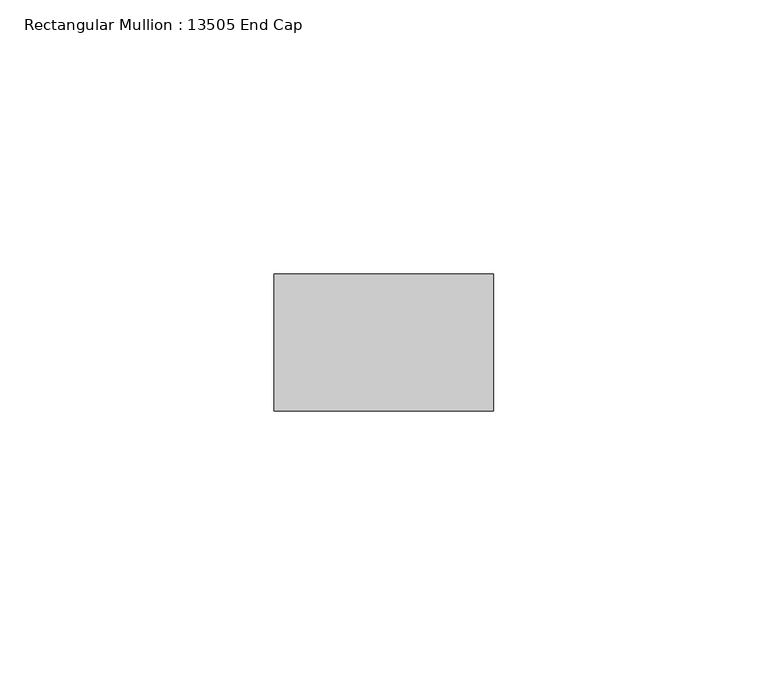
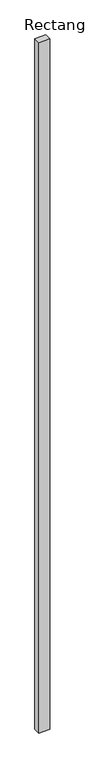
"""IFC4 building model written with IfcOpenShell, lengths in millimetres: member geometry, Rectangular Mullion : 13505 End Cap."""

import ifcopenshell
import ifcopenshell.guid

model = None  # the IFC model being written
_history = None  # IfcOwnerHistory: only IFC2X3 demands one
_inside = {}  # id of a spatial element -> (the spatial element, [elements in it])
_under = {}  # id of a project, library or spatial element -> (it, [spatial elements below it])
_declared = {}  # id of a project -> (the project, [libraries it declares])
_typed = {}  # id of a type object -> (the type object, [elements of that type])
_made_of = {}  # id of a material, layer set ... -> (it, [elements and type objects made of it])


def new_model(schema):
    """Start an empty IFC model of exactly this schema.

    Asked for "IFC4X3", IfcOpenShell would pick the latest addendum, in which some entities
    have other attributes; the version numbers below select the first issue.
    IFC2X3 requires an IfcOwnerHistory on every rooted entity: one is made here for all.
    """
    global model, _history
    if schema == "IFC4X3":
        model = ifcopenshell.file(schema_version=(4, 3, 0, 0))
    else:
        model = ifcopenshell.file(schema=schema)
    _inside.clear()
    _under.clear()
    _declared.clear()
    _typed.clear()
    _made_of.clear()
    _history = None
    if model.schema == "IFC2X3":
        org = make("IfcOrganization", Name="unknown")
        user = make(
            "IfcPersonAndOrganization",
            ThePerson=make("IfcPerson", FamilyName="unknown"),
            TheOrganization=org,
        )
        app = make(
            "IfcApplication",
            ApplicationDeveloper=org,
            Version="unknown",
            ApplicationFullName="unknown",
            ApplicationIdentifier="unknown",
        )
        _history = make(
            "IfcOwnerHistory",
            OwningUser=user,
            OwningApplication=app,
            ChangeAction="ADDED",
            CreationDate=0,
        )
    return model


def make(cls, **values):
    """One entity of the class cls with the attributes given. An attribute that is None is left unset."""
    return model.create_entity(
        cls, **{name: value for name, value in values.items() if value is not None}
    )


def rooted(cls, **values):
    """An entity with a GlobalId (a new one), such as an element, a storey or a relation."""
    return make(cls, GlobalId=ifcopenshell.guid.new(), OwnerHistory=_history, **values)


def si_unit(unit_type, name, prefix=None):
    """IfcSIUnit, for example si_unit("LENGTHUNIT", "METRE", prefix="MILLI")."""
    return make("IfcSIUnit", UnitType=unit_type, Prefix=prefix, Name=name)


def assignment(units):
    """IfcUnitAssignment: the units of a project."""
    return None if units is None else make("IfcUnitAssignment", Units=units)


def point(xyz):
    """IfcCartesianPoint."""
    return None if xyz is None else make("IfcCartesianPoint", Coordinates=xyz)


def direction(xyz):
    """IfcDirection."""
    return None if xyz is None else make("IfcDirection", DirectionRatios=xyz)


def frame(location, z_axis=None, x_axis=None):
    """IfcAxis2Placement3D, a coordinate frame: its origin and axes. An axis left out is left unset."""
    return make(
        "IfcAxis2Placement3D",
        Location=point(location),
        Axis=direction(z_axis),
        RefDirection=direction(x_axis),
    )


def origin():
    """The frame at (0, 0, 0) with its axes left unset."""
    return frame((0.0, 0.0, 0.0))


def place(relative_to, where):
    """IfcLocalPlacement: puts the frame where relative to a parent placement (None: the world)."""
    return make(
        "IfcLocalPlacement", PlacementRelTo=relative_to, RelativePlacement=where
    )


def context(
    kind, dimensions, precision=None, world=None, true_north=None, identifier=None
):
    """IfcGeometricRepresentationContext, for example the 3D "Model" context."""
    return make(
        "IfcGeometricRepresentationContext",
        ContextIdentifier=identifier,
        ContextType=kind,
        CoordinateSpaceDimension=dimensions,
        Precision=precision,
        WorldCoordinateSystem=world,
        TrueNorth=true_north,
    )


def project(units=None, contexts=None):
    """IfcProject with its units and contexts."""
    return rooted(
        "IfcProject",
        Name="project",
        RepresentationContexts=contexts,
        UnitsInContext=assignment(units),
    )


def spatial(cls, under=None, at=None, **own):
    """A site, building, storey or space (cls), placed at a placement, below another one or the project."""
    s = rooted(cls, ObjectPlacement=at, **own)
    if under is not None:
        _under.setdefault(under.id(), (under, []))[1].append(s)
    return s


def polyline(points):
    """IfcPolyline through the points."""
    return make("IfcPolyline", Points=[point(p) for p in points])


def outline(outer, holes=None, kind="AREA"):
    """IfcArbitraryClosedProfileDef: a profile drawn as a closed curve; with holes, ...WithVoids."""
    if holes is None:
        return make("IfcArbitraryClosedProfileDef", ProfileType=kind, OuterCurve=outer)
    return make(
        "IfcArbitraryProfileDefWithVoids",
        ProfileType=kind,
        OuterCurve=outer,
        InnerCurves=holes,
    )


def extrude(swept, where, along, depth):
    """IfcExtrudedAreaSolid: the profile swept, set in the frame where, extruded along a direction by depth."""
    return make(
        "IfcExtrudedAreaSolid",
        SweptArea=swept,
        Position=where,
        ExtrudedDirection=direction(along),
        Depth=depth,
    )


def shape(context_of_items, identifier, shape_type, items):
    """IfcShapeRepresentation: the items that make up one representation, for example the "Body"."""
    return make(
        "IfcShapeRepresentation",
        ContextOfItems=context_of_items,
        RepresentationIdentifier=identifier,
        RepresentationType=shape_type,
        Items=items,
    )


def source(mapping_origin, context_of_items, identifier, shape_type, items):
    """IfcRepresentationMap: a shape defined once, which mapped items show again and again."""
    return make(
        "IfcRepresentationMap",
        MappingOrigin=mapping_origin,
        MappedRepresentation=shape(context_of_items, identifier, shape_type, items),
    )


def transform(
    local_origin,
    x_axis=None,
    y_axis=None,
    z_axis=None,
    scale=None,
    scale2=None,
    scale3=None,
    uniform=True,
):
    """IfcCartesianTransformationOperator3D, or its non-uniform kind. x_axis, y_axis, z_axis: its Axis1, 2, 3."""
    if uniform:
        return make(
            "IfcCartesianTransformationOperator3D",
            Axis1=direction(x_axis),
            Axis2=direction(y_axis),
            LocalOrigin=point(local_origin),
            Scale=scale,
            Axis3=direction(z_axis),
        )
    return make(
        "IfcCartesianTransformationOperator3DnonUniform",
        Axis1=direction(x_axis),
        Axis2=direction(y_axis),
        LocalOrigin=point(local_origin),
        Scale=scale,
        Axis3=direction(z_axis),
        Scale2=scale2,
        Scale3=scale3,
    )


def mapped(mapping_source, mapping_target):
    """IfcMappedItem: shows the shape of a source again, moved by a transform."""
    return make(
        "IfcMappedItem", MappingSource=mapping_source, MappingTarget=mapping_target
    )


def made_of(thing, what):
    """Note that an element or type object is made of a material, layer set ...; save() writes the relation."""
    if what is not None:
        _made_of.setdefault(what.id(), (what, []))[1].append(thing)
    return thing


def element(
    cls,
    number,
    at=None,
    inside=None,
    cuts=None,
    type_object=None,
    material=None,
    context=None,
    identifier="Body",
    shape_type=None,
    held_by="IfcProductDefinitionShape",
    body=None,
    shapes=None,
    **own,
):
    """One element of the class cls, such as IfcWall. Its Tag is "e" and its number.

    at: its placement. inside: the storey or other place that contains it. cuts: it is an
    opening in that element (IfcRelVoidsElement). A single representation is given by context,
    identifier, shape_type and body (its items); several are given by shapes. held_by: the class
    of the entity that holds the representations. save() writes the other relations.
    """
    e = rooted(cls, Tag="e%d" % number, ObjectPlacement=at, **own)
    if body is not None:
        shapes = [shape(context, identifier, shape_type, body)]
    if shapes is not None:
        e.Representation = make(held_by, Representations=shapes)
    if inside is not None:
        _inside.setdefault(inside.id(), (inside, []))[1].append(e)
    if cuts is not None:
        rooted(
            "IfcRelVoidsElement", RelatingBuildingElement=cuts, RelatedOpeningElement=e
        )
    if type_object is not None:
        _typed.setdefault(type_object.id(), (type_object, []))[1].append(e)
    return made_of(e, material)


def aggregate(whole, parts):
    """IfcRelAggregates: a whole, such as a stair, and the parts it consists of."""
    return rooted("IfcRelAggregates", RelatingObject=whole, RelatedObjects=parts)


def save(model, path):
    """Write the relations noted so far, then the file.

    IfcRelAggregates (storeys below a building ...), IfcRelContainedInSpatialStructure (elements
    in a storey), IfcRelDefinesByType, IfcRelAssociatesMaterial and IfcRelDeclares: one each for
    every whole, place, type object, material and project.
    """
    for whole, parts in _under.values():
        aggregate(whole, parts)
    for where, things in _inside.values():
        rooted(
            "IfcRelContainedInSpatialStructure",
            RelatedElements=things,
            RelatingStructure=where,
        )
    for kind, things in _typed.values():
        rooted("IfcRelDefinesByType", RelatedObjects=things, RelatingType=kind)
    for what, things in _made_of.values():
        rooted("IfcRelAssociatesMaterial", RelatedObjects=things, RelatingMaterial=what)
    for by, libraries in _declared.values():
        rooted("IfcRelDeclares", RelatingContext=by, RelatedDefinitions=libraries)
    model.write(path)


def rectangular_mullion_13505_end_cap_845b7586(model_context):
    return source(origin(), model_context, "Body", "SweptSolid", [
        extrude(outline(polyline([(-39.9999993, 12.5), (0.0, 12.5), (0.0, -12.5), (-39.9999993, -12.5), (-39.9999993, 12.5)])), frame((0.0, 0.0, -2640.0000015), z_axis=(0.0, 0.0, 1.0), x_axis=(1.0, 0.0, 0.0)), (0.0, 0.0, 1.0), 2640.0000015),
    ])


if __name__ == "__main__":
    model = new_model("IFC4")
    model_context = context("Model", 3, world=origin())
    ifc_project = project(units=[si_unit("LENGTHUNIT", "METRE", prefix="MILLI")], contexts=[model_context])
    site = spatial("IfcSite", under=ifc_project)
    building = spatial("IfcBuilding", under=site)
    placement = place(None, origin())
    rectangular_mullion_13505_end_cap_shape = rectangular_mullion_13505_end_cap_845b7586(model_context)
    element("IfcMember", 1, ObjectType="Rectangular Mullion : 13505 End Cap", at=placement, inside=building, context=model_context, shape_type="MappedRepresentation", body=[
        mapped(rectangular_mullion_13505_end_cap_shape, transform((0.0, 0.0, 0.0), x_axis=(1.0, 0.0, 0.0), y_axis=(0.0, 1.0, 0.0), z_axis=(0.0, 0.0, 1.0))),
    ])
    save(model, "model.ifc")
